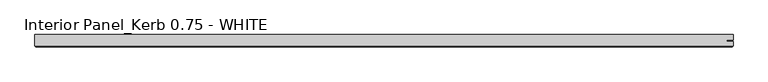
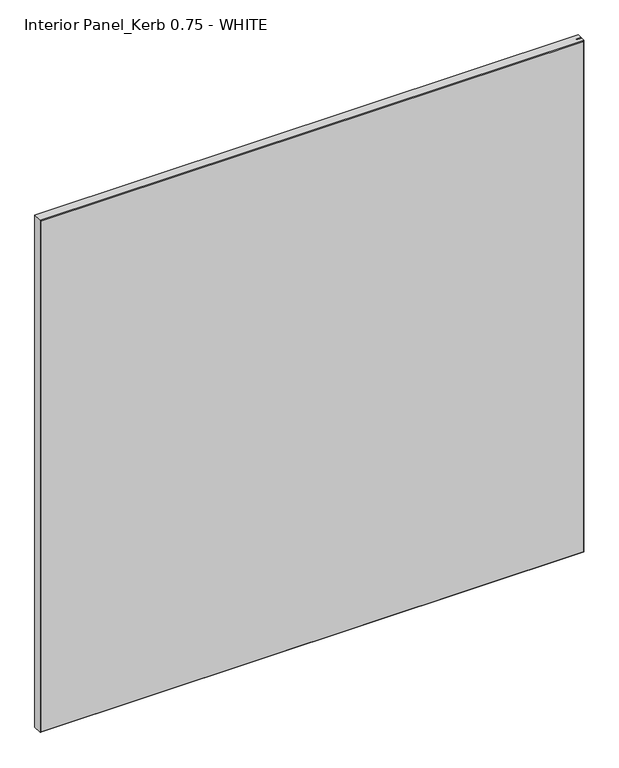
"""IFC4 building model written with IfcOpenShell, lengths in millimetres: proxy geometry, Interior Panel_Kerb 0.75 - WHITE."""

from ifc_helpers import new_model, si_unit, origin, place, context, project, spatial, faceted_brep, source, transform, mapped, element, save


def interior_panel_kerb_0_75_white_81fed06e(model_context):
    return source(origin(), model_context, "Body", "Brep", [
        faceted_brep([(994.965625, 3.175, 1063.625), (-73.025, 3.175, 1063.625), (-73.025, -14.2875, 1063.625), (994.965625, -14.2875, 1063.625), (994.965625, -7.4168, 1063.625), (985.1429687, -7.4168, 1063.625), (985.1429687, -5.2832, 1063.625), (994.965625, -5.2832, 1063.625), (994.965625, 3.175, 0.0), (994.965625, -5.2832, 0.0), (985.1429687, -5.2832, 0.0), (985.1429687, -7.4168, 0.0), (994.965625, -7.4168, 0.0), (994.965625, -14.2875, 0.0), (-73.025, -14.2875, 0.0), (-73.025, 3.175, 0.0), (-71.4375, -15.875, 1062.0375), (-71.4375, -15.875, 1.5875), (993.378125, -15.875, 1.5875), (993.378125, -15.875, 1062.0375)], [[[0, 1, 2, 3, 4, 5, 6, 7]], [[8, 9, 10, 11, 12, 13, 14, 15]], [[1, 0, 8, 15]], [[2, 1, 15, 14]], [[16, 17, 18, 19]], [[4, 3, 13, 12]], [[2, 14, 17, 16]], [[13, 3, 19, 18]], [[3, 2, 16, 19]], [[14, 13, 18, 17]], [[5, 4, 12, 11]], [[6, 5, 11, 10]], [[7, 6, 10, 9]], [[0, 7, 9, 8]]]),
    ])


if __name__ == "__main__":
    model = new_model("IFC4")
    model_context = context("Model", 3, world=origin())
    ifc_project = project(units=[si_unit("LENGTHUNIT", "METRE", prefix="MILLI")], contexts=[model_context])
    site = spatial("IfcSite", under=ifc_project)
    building = spatial("IfcBuilding", under=site)
    placement = place(None, origin())
    interior_panel_kerb_0_75_white_shape = interior_panel_kerb_0_75_white_81fed06e(model_context)
    element("IfcBuildingElementProxy", 1, Name="Interior Panel_Kerb 0.75 - WHITE", ObjectType="Interior Panel_Kerb 0.75 - WHITE", at=placement, inside=building, context=model_context, shape_type="MappedRepresentation", body=[
        mapped(interior_panel_kerb_0_75_white_shape, transform((0.0, 0.0, 0.0), x_axis=(1.0, 0.0, 0.0), y_axis=(0.0, 1.0, 0.0), z_axis=(0.0, 0.0, 1.0))),
    ])
    save(model, "model.ifc")
